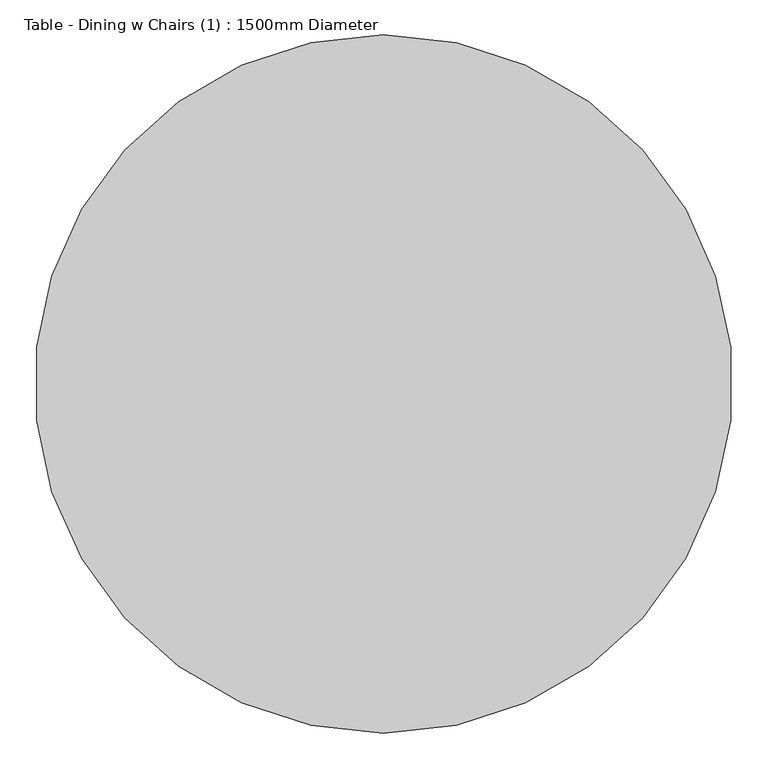
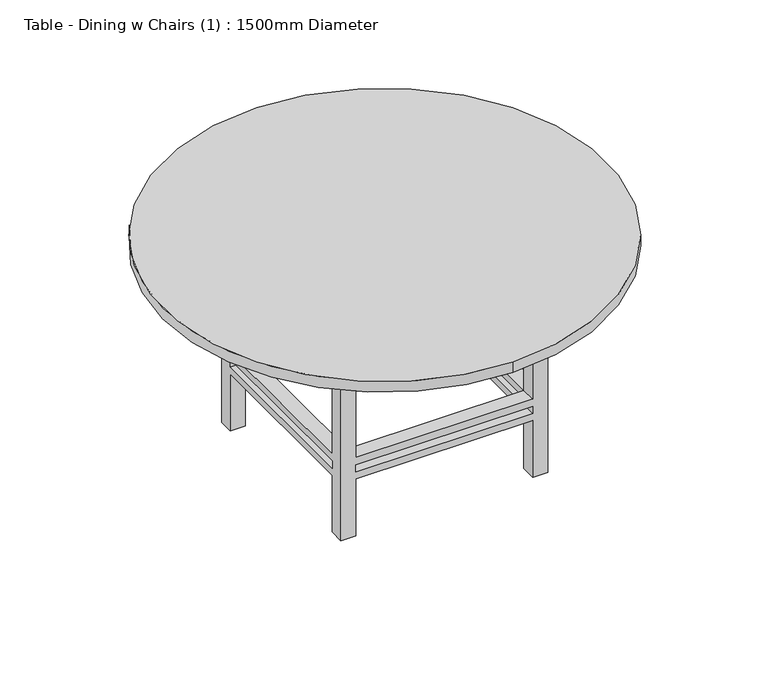
"""IFC4 building model written with IfcOpenShell, lengths in millimetres: furniture geometry, Table - Dining w Chairs (1) : 1500mm Diameter."""

from ifc_helpers import new_model, si_unit, point, frame, frame_2d, origin, place, context, project, spatial, polyline, circle_curve, trimmed, segment, composite_curve, outline, extrude, faceted_brep, source, transform, mapped, element, save


def table_dining_w_chairs_1_1500mm_diameter_86cdb86e(model_context):
    return source(origin(), model_context, "Body", "SolidModel", [
        faceted_brep([(-195.1180328, 164.7213115, 645.7), (-245.9180328, 164.7213115, 645.7), (-245.9180328, 113.9213115, 645.7), (-195.1180328, 113.9213115, 645.7), (402.4819672, 164.7213115, 645.7), (402.4819672, 113.9213115, 645.7), (453.2819672, 113.9213115, 645.7), (453.2819672, 164.7213115, 645.7), (402.4819672, -534.4786885, 645.7), (453.2819672, -534.4786885, 645.7), (453.2819672, -483.6786885, 645.7), (402.4819672, -483.6786885, 645.7), (-195.1180328, -534.4786885, 645.7), (-195.1180328, -483.6786885, 645.7), (-245.9180328, -483.6786885, 645.7), (-245.9180328, -534.4786885, 645.7), (-195.1180328, 164.7213115, 0.0), (-195.1180328, 113.9213115, 0.0), (-245.9180328, 113.9213115, 0.0), (-245.9180328, 164.7213115, 0.0), (402.4819672, 164.7213115, 0.0), (453.2819672, 164.7213115, 0.0), (453.2819672, 113.9213115, 0.0), (402.4819672, 113.9213115, 0.0), (402.4819672, -534.4786885, 0.0), (402.4819672, -483.6786885, 0.0), (453.2819672, -483.6786885, 0.0), (453.2819672, -534.4786885, 0.0), (-195.1180328, -534.4786885, 0.0), (-245.9180328, -534.4786885, 0.0), (-245.9180328, -483.6786885, 0.0), (-195.1180328, -483.6786885, 0.0), (-195.1180328, 164.7213115, 279.4), (402.4819672, 164.7213115, 279.4), (402.4819672, 164.7213115, 203.2), (-195.1180328, 164.7213115, 203.2), (402.4819672, 164.7213115, 228.6), (402.4819672, 164.7213115, 254.0), (-195.1180328, 164.7213115, 254.0), (-195.1180328, 164.7213115, 228.6), (-245.9180328, 113.9213115, 203.2), (-245.9180328, -483.6786885, 203.2), (-245.9180328, -483.6786885, 279.4), (-245.9180328, 113.9213115, 279.4), (-245.9180328, 113.9213115, 228.6), (-245.9180328, 113.9213115, 254.0), (-245.9180328, -483.6786885, 254.0), (-245.9180328, -483.6786885, 228.6), (-195.1180328, 113.9213115, 279.4), (-195.1180328, 113.9213115, 203.2), (-195.1180328, 113.9213115, 228.6), (-195.1180328, 113.9213115, 254.0), (402.4819672, 113.9213115, 279.4), (402.4819672, 113.9213115, 203.2), (402.4819672, 113.9213115, 228.6), (402.4819672, 113.9213115, 254.0), (453.2819672, 113.9213115, 279.4), (453.2819672, 113.9213115, 203.2), (453.2819672, 113.9213115, 228.6), (453.2819672, 113.9213115, 254.0), (453.2819672, -483.6786885, 279.4), (453.2819672, -483.6786885, 203.2), (453.2819672, -483.6786885, 228.6), (453.2819672, -483.6786885, 254.0), (402.4819672, -534.4786885, 279.4), (-195.1180328, -534.4786885, 279.4), (-195.1180328, -534.4786885, 203.2), (402.4819672, -534.4786885, 203.2), (-195.1180328, -534.4786885, 228.6), (-195.1180328, -534.4786885, 254.0), (402.4819672, -534.4786885, 254.0), (402.4819672, -534.4786885, 228.6), (402.4819672, -483.6786885, 279.4), (402.4819672, -483.6786885, 203.2), (402.4819672, -483.6786885, 228.6), (402.4819672, -483.6786885, 254.0), (-195.1180328, -483.6786885, 279.4), (-195.1180328, -483.6786885, 203.2), (-195.1180328, -483.6786885, 228.6), (-195.1180328, -483.6786885, 254.0)], [[[0, 1, 2, 3]], [[4, 5, 6, 7]], [[8, 9, 10, 11]], [[12, 13, 14, 15]], [[16, 17, 18, 19]], [[20, 21, 22, 23]], [[24, 25, 26, 27]], [[28, 29, 30, 31]], [[1, 0, 32, 33, 4, 7, 21, 20, 34, 35, 16, 19], [36, 37, 38, 39]], [[2, 1, 19, 18, 40, 41, 30, 29, 15, 14, 42, 43], [44, 45, 46, 47]], [[3, 2, 43, 48]], [[18, 17, 49, 40]], [[44, 50, 51, 45]], [[0, 3, 48, 32]], [[17, 16, 35, 49]], [[50, 39, 38, 51]], [[5, 4, 33, 52]], [[20, 23, 53, 34]], [[36, 54, 55, 37]], [[6, 5, 52, 56]], [[23, 22, 57, 53]], [[54, 58, 59, 55]], [[21, 7, 6, 56, 60, 10, 9, 27, 26, 61, 57, 22], [62, 63, 59, 58]], [[27, 9, 8, 64, 65, 12, 15, 29, 28, 66, 67, 24], [68, 69, 70, 71]], [[11, 10, 60, 72]], [[26, 25, 73, 61]], [[62, 74, 75, 63]], [[8, 11, 72, 64]], [[25, 24, 67, 73]], [[74, 71, 70, 75]], [[13, 12, 65, 76]], [[28, 31, 77, 66]], [[68, 78, 79, 69]], [[14, 13, 76, 42]], [[31, 30, 41, 77]], [[78, 47, 46, 79]], [[54, 74, 62, 58]], [[74, 78, 68, 71]], [[78, 50, 44, 47]], [[50, 54, 36, 39]], [[53, 49, 35, 34]], [[49, 77, 41, 40]], [[77, 73, 67, 66]], [[73, 53, 57, 61]], [[74, 54, 53, 73]], [[78, 74, 73, 77]], [[50, 78, 77, 49]], [[54, 50, 49, 53]], [[52, 72, 60, 56]], [[72, 76, 65, 64]], [[76, 48, 43, 42]], [[48, 52, 33, 32]], [[55, 51, 38, 37]], [[51, 79, 46, 45]], [[79, 75, 70, 69]], [[75, 55, 59, 63]], [[72, 52, 55, 75]], [[76, 72, 75, 79]], [[48, 76, 79, 51]], [[52, 48, 51, 55]]]),
        extrude(outline(polyline([(478.6819672, 190.1213115), (478.6819672, -559.8786885), (-271.3180328, -559.8786885), (-271.3180328, 190.1213115), (478.6819672, 190.1213115)]), holes=[polyline([(453.2819672, 164.7213115), (-245.9180328, 164.7213115), (-245.9180328, -534.4786885), (453.2819672, -534.4786885), (453.2819672, 164.7213115)])]), frame((0.0, 0.0, 645.7), z_axis=(0.0, 0.0, 1.0), x_axis=(1.0, 0.0, 0.0)), (0.0, 0.0, 1.0), 76.2),
        extrude(outline(composite_curve([segment(trimmed(circle_curve(frame_2d((103.6819672, -184.8786885)), 750.0), [point((103.6819672, -934.8786885))], [point((103.6819672, 565.1213115))], False, "CARTESIAN"), True, "CONTINUOUS"), segment(trimmed(circle_curve(frame_2d((103.6819672, -184.8786885)), 750.0), [point((103.6819672, 565.1213115))], [point((103.6819672, -934.8786885))], False, "CARTESIAN"), True, "CONTINUOUS")], self_intersect=False)), frame((0.0, 0.0, 721.9), z_axis=(0.0, 0.0, 1.0), x_axis=(1.0, 0.0, 0.0)), (0.0, 0.0, 1.0), 38.1),
    ])


if __name__ == "__main__":
    model = new_model("IFC4")
    model_context = context("Model", 3, world=origin())
    ifc_project = project(units=[si_unit("LENGTHUNIT", "METRE", prefix="MILLI")], contexts=[model_context])
    site = spatial("IfcSite", under=ifc_project)
    building = spatial("IfcBuilding", under=site)
    placement = place(None, origin())
    table_dining_w_chairs_1_1500mm_diameter_shape = table_dining_w_chairs_1_1500mm_diameter_86cdb86e(model_context)
    element("IfcFurniture", 1, ObjectType="Table - Dining w Chairs (1) : 1500mm Diameter", at=placement, inside=building, context=model_context, shape_type="MappedRepresentation", body=[
        mapped(table_dining_w_chairs_1_1500mm_diameter_shape, transform((0.0, 0.0, 0.0), x_axis=(1.0, 0.0, 0.0), y_axis=(0.0, 1.0, 0.0), z_axis=(0.0, 0.0, 1.0))),
    ])
    save(model, "model.ifc")
